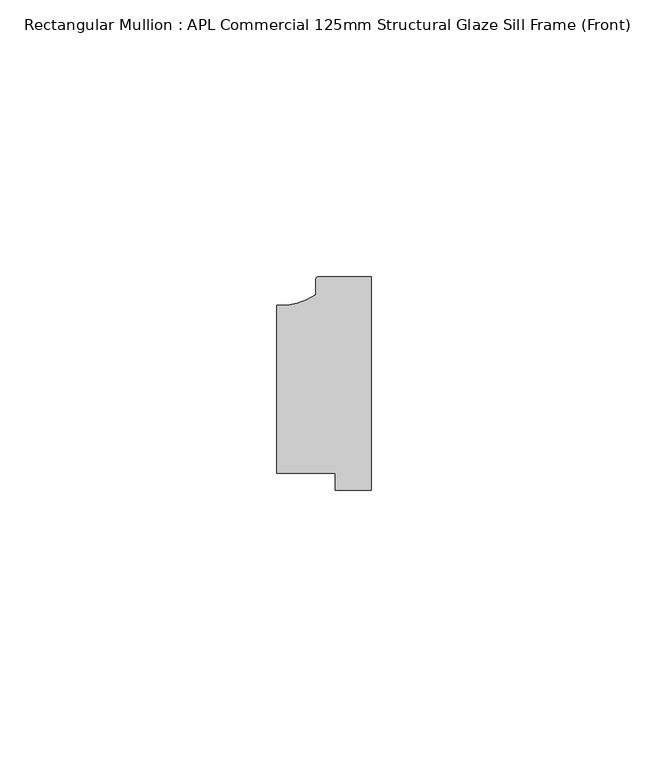
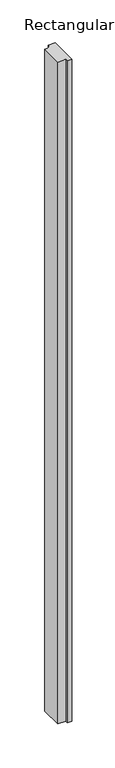
"""IFC4 building model written with IfcOpenShell, lengths in millimetres: member geometry, Rectangular Mullion : APL Commercial 125mm Structural Glaze Sill Frame (Front)."""

from ifc_helpers import new_model, si_unit, point, frame, frame_2d, origin, place, context, project, spatial, polyline, circle_curve, trimmed, segment, composite_curve, outline, extrude, source, transform, mapped, element, save


def rectangular_mullion_apl_commercial_125mm_structural_glaze_4c8f69eb(model_context):
    return source(origin(), model_context, "Body", "SweptSolid", [
        extrude(outline(composite_curve([segment(trimmed(circle_curve(frame_2d((-16.1098048, 25.7977481)), 10.4563907), [point((-16.999942, 15.3793144))], [point((-10.0, 17.3120901))], True, "CARTESIAN"), True, "CONTINUOUS"), segment(polyline([(-10.0, 17.3120901), (-10.0, 19.9980675)]), True, "CONTINUOUS"), segment(trimmed(circle_curve(frame_2d((-9.5000029, 19.99978)), 0.5), [point((-10.0, 19.9980675))], [point((-9.5000029, 20.49978))], False, "CARTESIAN"), True, "CONTINUOUS"), segment(polyline([(-9.5000029, 20.49978), (0.0, 20.49978), (0.0, -18.0281616), (-6.5000029, -18.0281616), (-6.5000029, -15.0004332), (-16.999942, -15.0004332), (-16.999942, 15.3793144)]), True, "CONTINUOUS")], self_intersect=False)), frame((0.0, 0.0, -944.29642), z_axis=(0.0, 0.0, 1.0), x_axis=(1.0, 0.0, 0.0)), (0.0, 0.0, 1.0), 944.29642),
    ])


if __name__ == "__main__":
    model = new_model("IFC4")
    model_context = context("Model", 3, world=origin())
    ifc_project = project(units=[si_unit("LENGTHUNIT", "METRE", prefix="MILLI")], contexts=[model_context])
    site = spatial("IfcSite", under=ifc_project)
    building = spatial("IfcBuilding", under=site)
    placement = place(None, origin())
    rectangular_mullion_apl_commercial_125mm_structural_glaze_shape = rectangular_mullion_apl_commercial_125mm_structural_glaze_4c8f69eb(model_context)
    element("IfcMember", 1, ObjectType="Rectangular Mullion : APL Commercial 125mm Structural Glaze Sill Frame (Front)", at=placement, inside=building, context=model_context, shape_type="MappedRepresentation", body=[
        mapped(rectangular_mullion_apl_commercial_125mm_structural_glaze_shape, transform((0.0, 0.0, 0.0), x_axis=(1.0, 0.0, 0.0), y_axis=(0.0, 1.0, 0.0), z_axis=(0.0, 0.0, 1.0))),
    ])
    save(model, "model.ifc")
